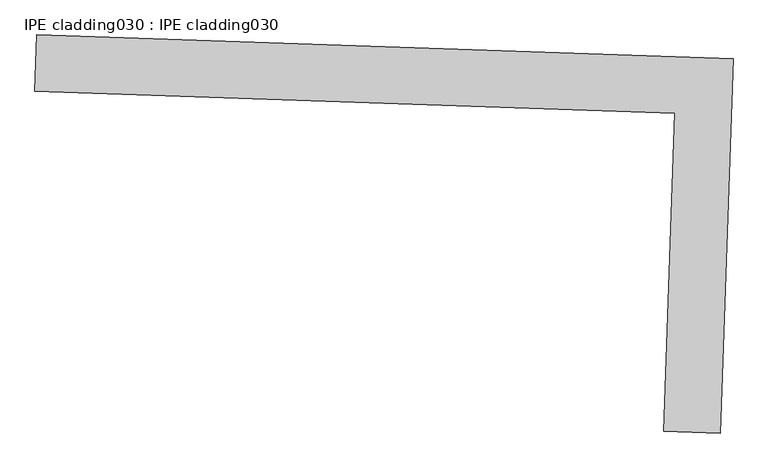
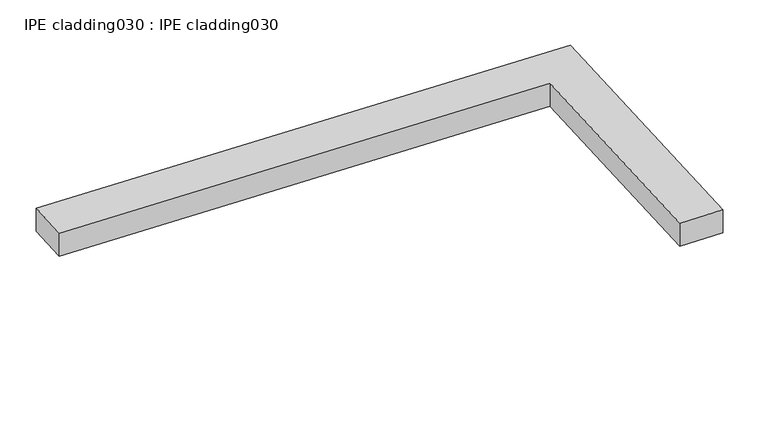
"""IFC4 building model written with IfcOpenShell, lengths in millimetres: proxy geometry, IPE cladding030 : IPE cladding030."""

from ifc_helpers import new_model, si_unit, frame, origin, place, context, project, spatial, polyline, outline, extrude, source, transform, mapped, element, save


def ipe_cladding030_ipe_cladding030_ca0fba24(model_context):
    return source(origin(), model_context, "Body", "SweptSolid", [
        extrude(outline(polyline([(17306.503674, -14579.7359076), (17309.5442108, -14490.8879187), (18404.9713724, -14528.3753913), (18384.8189492, -15117.2524299), (18295.9709601, -15114.2118932), (18313.0828469, -14614.1828433), (17306.503674, -14579.7359076)])), frame((0.0, 0.0, 2664.775707), z_axis=(0.0, 0.0, 1.0), x_axis=(1.0, 0.0, 0.0)), (0.0, 0.0, 1.0), 50.8),
    ])


if __name__ == "__main__":
    model = new_model("IFC4")
    model_context = context("Model", 3, world=origin())
    ifc_project = project(units=[si_unit("LENGTHUNIT", "METRE", prefix="MILLI")], contexts=[model_context])
    site = spatial("IfcSite", under=ifc_project)
    building = spatial("IfcBuilding", under=site)
    placement = place(None, origin())
    ipe_cladding030_ipe_cladding030_shape = ipe_cladding030_ipe_cladding030_ca0fba24(model_context)
    element("IfcBuildingElementProxy", 1, Name="IPE cladding030 : IPE cladding030", ObjectType="IPE cladding030 : IPE cladding030", at=placement, inside=building, context=model_context, shape_type="MappedRepresentation", body=[
        mapped(ipe_cladding030_ipe_cladding030_shape, transform((0.0, 0.0, 0.0), x_axis=(1.0, 0.0, 0.0), y_axis=(0.0, 1.0, 0.0), z_axis=(0.0, 0.0, 1.0))),
    ])
    save(model, "model.ifc")
